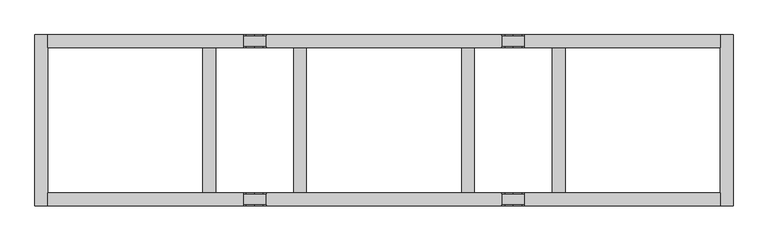
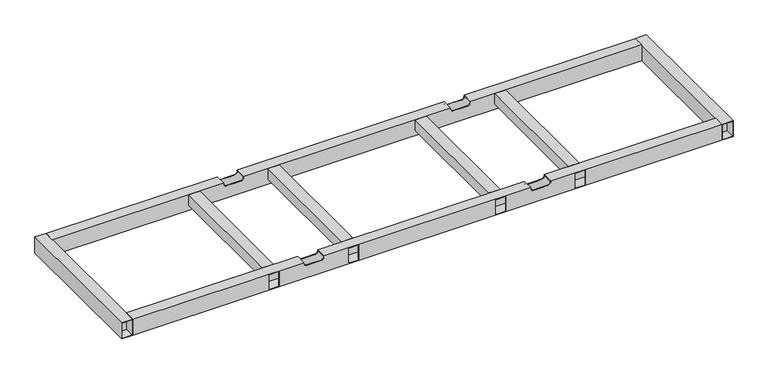
"""IFC4 building model written with IfcOpenShell, lengths in millimetres: furniture geometry."""

from ifc_helpers import new_model, si_unit, frame, origin, place, context, project, spatial, polyline, circle_curve, outline, extrude, source, transform, mapped, element, save
from ifc_brep_helpers import plane_surface, revolved_surface, advanced_brep


def furniture_8cdf405d(model_context):
    return source(origin(), model_context, "Body", "SolidModel", [
        advanced_brep(
        [(-407.9906244, -230.0000056, 346.6346058), (-407.9906244, -232.0000018, 346.6346058), (-381.9939756, -232.0000018, 346.6346058), (-381.9939756, -230.0000056, 346.6346058), (-407.9906244, -268.0000023, 346.6346058), (-407.9906244, -270.0000061, 346.6346058), (-381.9939756, -270.0000061, 346.6346058), (-381.9939756, -268.0000023, 346.6346058), (-371.9939756, -232.0000018, 356.6346058), (-371.9939756, -230.0000056, 356.6346058), (-371.9939756, -270.0000061, 356.6346058), (-371.9939756, -268.0000023, 356.6346058), (-371.9939756, -232.0000018, 357.9224338), (-371.9939756, -268.0000023, 357.9224338), (-371.9939756, -270.0000061, 359.922434), (-371.9939756, -230.0000056, 359.922434), (-443.9872732, -232.0000018, 356.6346058), (-443.9872732, -230.0000056, 356.6346058), (-443.9872732, -230.0000056, 359.922434), (-443.9872732, -270.0000061, 359.922434), (-443.9872732, -270.0000061, 356.6346058), (-443.9872732, -268.0000023, 356.6346058), (-443.9872732, -268.0000023, 357.9224338), (-443.9872732, -232.0000018, 357.9224338), (-433.9872732, -230.0000056, 346.6346058), (-433.9872732, -232.0000018, 346.6346058), (-433.9872732, -268.0000023, 346.6346058), (-433.9872732, -270.0000061, 346.6346058), (1060.9822296, -230.0000056, 359.922434), (1060.9822296, -270.0000061, 359.922434), (1060.9822296, -270.0000061, 299.9223263), (1060.9822296, -230.0000056, 299.9223263), (1060.9822296, -268.0000023, 301.9086098), (1060.9822296, -268.0000023, 357.9224338), (1060.9822296, -232.0000018, 357.9224338), (1060.9822296, -232.0000018, 301.9086098), (-1060.9822296, -230.0000056, 359.922434), (-1060.9822296, -230.0000056, 299.9223263), (-1060.9822296, -270.0000061, 299.9223263), (-1060.9822296, -270.0000061, 359.922434), (-1060.9822296, -268.0000023, 301.9086098), (-1060.9822296, -232.0000018, 301.9086098), (-1060.9822296, -232.0000018, 357.9224338), (-1060.9822296, -268.0000023, 357.9224338), (371.9939756, -230.0000056, 359.922434), (371.9939756, -230.0000056, 356.6346058), (381.9939756, -230.0000056, 346.6346058), (407.9906244, -230.0000056, 346.6346058), (433.9872732, -230.0000056, 346.6346058), (443.9872732, -230.0000056, 356.6346058), (443.9872732, -230.0000056, 359.922434), (443.9872732, -270.0000061, 359.922434), (443.9872732, -270.0000061, 356.6346058), (433.9872732, -270.0000061, 346.6346058), (407.9906244, -270.0000061, 346.6346058), (381.9939756, -270.0000061, 346.6346058), (371.9939756, -270.0000061, 356.6346058), (371.9939756, -270.0000061, 359.922434), (-568.96075, -270.0000061, 357.9224338), (-532.9720684, -270.0000061, 357.9224338), (-532.9720684, -270.0000061, 301.9086098), (-568.96075, -270.0000061, 301.9086098), (-283.0091805, -270.0000061, 357.9224338), (-247.0204988, -270.0000061, 357.9224338), (-247.0204988, -270.0000061, 301.9086098), (-283.0091805, -270.0000061, 301.9086098), (247.0204988, -270.0000061, 357.9224338), (283.0091805, -270.0000061, 357.9224338), (283.0091805, -270.0000061, 301.9086098), (247.0204988, -270.0000061, 301.9086098), (532.9720684, -270.0000061, 357.9224338), (568.96075, -270.0000061, 357.9224338), (568.96075, -270.0000061, 301.9086098), (532.9720684, -270.0000061, 301.9086098), (-568.96075, -268.0000023, 301.9086098), (-532.9720684, -268.0000023, 301.9086098), (-283.0091805, -268.0000023, 301.9086098), (-247.0204988, -268.0000023, 301.9086098), (247.0204988, -268.0000023, 301.9086098), (283.0091805, -268.0000023, 301.9086098), (532.9720684, -268.0000023, 301.9086098), (568.96075, -268.0000023, 301.9086098), (443.9872732, -232.0000018, 357.9224338), (443.9872732, -232.0000018, 356.6346058), (433.9872732, -232.0000018, 346.6346058), (407.9906244, -232.0000018, 346.6346058), (381.9939756, -232.0000018, 346.6346058), (371.9939756, -232.0000018, 356.6346058), (371.9939756, -232.0000018, 357.9224338), (568.96075, -268.0000023, 357.9224338), (532.9720684, -268.0000023, 357.9224338), (443.9872732, -268.0000023, 357.9224338), (-532.9720684, -268.0000023, 357.9224338), (-568.96075, -268.0000023, 357.9224338), (371.9939756, -268.0000023, 357.9224338), (283.0091805, -268.0000023, 357.9224338), (247.0204988, -268.0000023, 357.9224338), (-247.0204988, -268.0000023, 357.9224338), (-283.0091805, -268.0000023, 357.9224338), (407.9906244, -268.0000023, 346.6346058), (433.9872732, -268.0000023, 346.6346058), (443.9872732, -268.0000023, 356.6346058), (371.9939756, -268.0000023, 356.6346058), (381.9939756, -268.0000023, 346.6346058)],
        [
            (0, 1),
            (1, 2),
            (2, 3),
            (3, 0),
            (4, 5),
            (5, 6),
            (6, 7),
            (7, 4),
            (2, 8, circle_curve(frame((-381.9939756, -232.0000018, 356.6346058), z_axis=(0.0, -1.0, 0.0), x_axis=(-1.0, 0.0, 0.0)), 10.0)),
            (8, 9),
            (9, 3, circle_curve(frame((-381.9939756, -230.0000056, 356.6346058), z_axis=(0.0, 1.0, 0.0), x_axis=(-1.0, 0.0, 0.0)), 10.0)),
            (6, 10, circle_curve(frame((-381.9939756, -270.0000061, 356.6346058), z_axis=(0.0, -1.0, 0.0), x_axis=(-1.0, 0.0, 0.0)), 10.0)),
            (10, 11),
            (11, 7, circle_curve(frame((-381.9939756, -268.0000023, 356.6346058), z_axis=(0.0, 1.0, 0.0), x_axis=(-1.0, 0.0, 0.0)), 10.0)),
            (8, 12),
            (12, 13),
            (13, 11),
            (10, 14),
            (14, 15),
            (15, 9),
            (16, 17),
            (17, 18),
            (18, 19),
            (19, 20),
            (20, 21),
            (21, 22),
            (22, 23),
            (23, 16),
            (0, 24),
            (24, 25),
            (25, 1),
            (4, 26),
            (26, 27),
            (27, 5),
            (24, 17, circle_curve(frame((-433.9872732, -230.0000056, 356.6346058), z_axis=(0.0, 1.0, 0.0), x_axis=(1.0, 0.0, 0.0)), 10.0)),
            (16, 25, circle_curve(frame((-433.9872732, -232.0000018, 356.6346058), z_axis=(0.0, -1.0, 0.0), x_axis=(1.0, 0.0, 0.0)), 10.0)),
            (26, 21, circle_curve(frame((-433.9872732, -268.0000023, 356.6346058), z_axis=(0.0, 1.0, 0.0), x_axis=(1.0, 0.0, 0.0)), 10.0)),
            (20, 27, circle_curve(frame((-433.9872732, -270.0000061, 356.6346058), z_axis=(0.0, -1.0, 0.0), x_axis=(1.0, 0.0, 0.0)), 10.0)),
            (28, 29),
            (29, 30),
            (30, 31),
            (31, 28),
            (32, 33),
            (33, 34),
            (34, 35),
            (35, 32),
            (36, 37),
            (37, 38),
            (38, 39),
            (39, 36),
            (40, 41),
            (41, 42),
            (42, 43),
            (43, 40),
            (31, 37),
            (36, 18),
            (15, 44),
            (44, 45),
            (45, 46, circle_curve(frame((381.9939756, -230.0000056, 356.6346058), z_axis=(0.0, -1.0, 0.0), x_axis=(1.0, 0.0, 0.0)), 10.0)),
            (46, 47),
            (47, 48),
            (48, 49, circle_curve(frame((433.9872732, -230.0000056, 356.6346058), z_axis=(0.0, -1.0, 0.0), x_axis=(-1.0, 0.0, 0.0)), 10.0)),
            (49, 50),
            (50, 28),
            (30, 38),
            (29, 51),
            (51, 52),
            (52, 53, circle_curve(frame((433.9872732, -270.0000061, 356.6346058), z_axis=(0.0, 1.0, 0.0), x_axis=(-1.0, 0.0, 0.0)), 10.0)),
            (53, 54),
            (54, 55),
            (55, 56, circle_curve(frame((381.9939756, -270.0000061, 356.6346058), z_axis=(0.0, 1.0, 0.0), x_axis=(1.0, 0.0, 0.0)), 10.0)),
            (56, 57),
            (57, 14),
            (19, 39),
            (58, 59),
            (59, 60),
            (60, 61),
            (61, 58),
            (62, 63),
            (63, 64),
            (64, 65),
            (65, 62),
            (66, 67),
            (67, 68),
            (68, 69),
            (69, 66),
            (70, 71),
            (71, 72),
            (72, 73),
            (73, 70),
            (50, 51),
            (57, 44),
            (35, 41),
            (40, 74),
            (74, 61),
            (60, 75),
            (75, 76),
            (76, 65),
            (64, 77),
            (77, 78),
            (78, 69),
            (68, 79),
            (79, 80),
            (80, 73),
            (72, 81),
            (81, 32),
            (34, 82),
            (82, 83),
            (83, 84, circle_curve(frame((433.9872732, -232.0000018, 356.6346058), z_axis=(0.0, 1.0, 0.0), x_axis=(-1.0, 0.0, 0.0)), 10.0)),
            (84, 85),
            (85, 86),
            (86, 87, circle_curve(frame((381.9939756, -232.0000018, 356.6346058), z_axis=(0.0, 1.0, 0.0), x_axis=(1.0, 0.0, 0.0)), 10.0)),
            (87, 88),
            (88, 12),
            (23, 42),
            (33, 89),
            (89, 71),
            (70, 90),
            (90, 91),
            (91, 82),
            (22, 92),
            (92, 59),
            (58, 93),
            (93, 43),
            (88, 94),
            (94, 95),
            (95, 67),
            (66, 96),
            (96, 97),
            (97, 63),
            (62, 98),
            (98, 13),
            (81, 89),
            (93, 74),
            (98, 76),
            (75, 92),
            (77, 97),
            (96, 78),
            (99, 100),
            (100, 101, circle_curve(frame((433.9872732, -268.0000023, 356.6346058), z_axis=(0.0, -1.0, 0.0), x_axis=(-1.0, 0.0, 0.0)), 10.0)),
            (101, 91),
            (90, 80),
            (79, 95),
            (94, 102),
            (102, 103, circle_curve(frame((381.9939756, -268.0000023, 356.6346058), z_axis=(0.0, -1.0, 0.0), x_axis=(1.0, 0.0, 0.0)), 10.0)),
            (103, 99),
            (47, 85),
            (84, 48),
            (99, 54),
            (53, 100),
            (83, 49),
            (52, 101),
            (87, 45),
            (56, 102),
            (46, 86),
            (103, 55),
        ],
        [
            plane_surface(frame((-407.9906244, -287.5262628, 346.6346058), z_axis=(0.0, 0.0, 1.0), x_axis=(0.0, 1.0, 0.0))),
            revolved_surface(polyline([(-391.9939756, -232.0000018, 356.6346058), (-391.9939756, -230.00000560000007, 356.6346058)]), (-381.9939756, 314.3107458, 356.6346058), (0.0, -1.0, 0.0)),
            revolved_surface(polyline([(-391.9939756, -270.0000061, 356.6346058), (-391.9939756, -268.00000229999995, 356.6346058)]), (-381.9939756, 314.3107458, 356.6346058), (0.0, -1.0, 0.0)),
            plane_surface(frame((-371.9939756, -287.5262628, 356.6346058), z_axis=(-1.0, 0.0, 0.0), x_axis=(0.0, 1.0, 0.0))),
            plane_surface(frame((-443.9872732, -287.5262628, 378.869628), z_axis=(1.0, 0.0, 0.0), x_axis=(0.0, 1.0, 0.0))),
            plane_surface(frame((-433.9872732, -287.5262628, 346.6346058), z_axis=(0.0, 0.0, 1.0), x_axis=(0.0, 1.0, 0.0))),
            revolved_surface(polyline([(-423.9872732, -232.0000018, 356.6346058), (-423.9872732, -230.00000560000007, 356.6346058)]), (-433.9872732, 314.3107458, 356.6346058), (0.0, -1.0, 0.0)),
            revolved_surface(polyline([(-423.9872732, -270.0000061, 356.6346058), (-423.9872732, -268.00000229999995, 356.6346058)]), (-433.9872732, 314.3107458, 356.6346058), (0.0, -1.0, 0.0)),
            plane_surface(frame((1060.9822296, -270.0000061, 359.922434), z_axis=(1.0, 0.0, 0.0), x_axis=(0.0, -1.0, 0.0))),
            plane_surface(frame((-1060.9822296, -270.0000061, 359.922434), z_axis=(-1.0, 0.0, 0.0), x_axis=(0.0, 1.0, 0.0))),
            plane_surface(frame((1060.9822296, -230.0000056, 299.9223263), z_axis=(0.0, 1.0, 0.0), x_axis=(-1.0, 0.0, 0.0))),
            plane_surface(frame((1060.9822296, -270.0000061, 299.9223263), z_axis=(0.0, 0.0, -1.0), x_axis=(-1.0, 0.0, 0.0))),
            plane_surface(frame((1060.9822296, -270.0000061, 359.922434), z_axis=(0.0, -1.0, 0.0), x_axis=(-1.0, 0.0, 0.0))),
            plane_surface(frame((1060.9822296, -230.0000056, 359.922434), z_axis=(0.0, 0.0, 1.0), x_axis=(-1.0, 0.0, 0.0))),
            plane_surface(frame((1060.9822296, -232.0000018, 301.9086098), z_axis=(0.0, 0.0, 1.0), x_axis=(-1.0, 0.0, 0.0))),
            plane_surface(frame((1060.9822296, -232.0000018, 357.9224338), z_axis=(0.0, -1.0, 0.0), x_axis=(-1.0, 0.0, 0.0))),
            plane_surface(frame((1060.9822296, -268.0000023, 357.9224338), z_axis=(0.0, 0.0, -1.0), x_axis=(-1.0, 0.0, 0.0))),
            plane_surface(frame((1060.9822296, -268.0000023, 301.9086098), z_axis=(0.0, 1.0, 0.0), x_axis=(-1.0, 0.0, 0.0))),
            plane_surface(frame((-568.96075, -282.4008656, 357.9224338), z_axis=(1.0, 0.0, 0.0), x_axis=(0.0, 1.0, 0.0))),
            plane_surface(frame((-532.9720684, -282.4008656, 301.9086098), z_axis=(-1.0, 0.0, 0.0), x_axis=(0.0, 1.0, 0.0))),
            plane_surface(frame((-247.0204988, -282.4008656, 301.9086098), z_axis=(-1.0, 0.0, 0.0), x_axis=(0.0, 1.0, 0.0))),
            plane_surface(frame((-283.0091805, -282.4008656, 357.9224338), z_axis=(1.0, 0.0, 0.0), x_axis=(0.0, 1.0, 0.0))),
            plane_surface(frame((407.9906244, -287.5262628, 346.6346058), z_axis=(0.0, 0.0, 1.0), x_axis=(0.0, 1.0, 0.0))),
            revolved_surface(polyline([(423.9872732, -232.0000018, 356.6346058), (423.9872732, -230.00000560000007, 356.6346058)]), (433.9872732, 314.3107458, 356.6346058), (0.0, -1.0, 0.0)),
            revolved_surface(polyline([(423.9872732, -270.0000061, 356.6346058), (423.9872732, -268.00000229999995, 356.6346058)]), (433.9872732, 314.3107458, 356.6346058), (0.0, -1.0, 0.0)),
            plane_surface(frame((443.9872732, -287.5262628, 356.6346058), z_axis=(-1.0, 0.0, 0.0), x_axis=(0.0, 1.0, 0.0))),
            plane_surface(frame((371.9939756, -287.5262628, 378.869628), z_axis=(1.0, 0.0, 0.0), x_axis=(0.0, 1.0, 0.0))),
            plane_surface(frame((381.9939756, -287.5262628, 346.6346058), z_axis=(0.0, 0.0, 1.0), x_axis=(0.0, 1.0, 0.0))),
            revolved_surface(polyline([(391.9939756, -232.0000018, 356.6346058), (391.9939756, -230.00000560000007, 356.6346058)]), (381.9939756, 314.3107458, 356.6346058), (0.0, -1.0, 0.0)),
            revolved_surface(polyline([(391.9939756, -270.0000061, 356.6346058), (391.9939756, -268.00000229999995, 356.6346058)]), (381.9939756, 314.3107458, 356.6346058), (0.0, -1.0, 0.0)),
            plane_surface(frame((247.0204988, -282.4008656, 357.9224338), z_axis=(1.0, 0.0, 0.0), x_axis=(0.0, 1.0, 0.0))),
            plane_surface(frame((283.0091805, -282.4008656, 301.9086098), z_axis=(-1.0, 0.0, 0.0), x_axis=(0.0, 1.0, 0.0))),
            plane_surface(frame((568.96075, -282.4008656, 301.9086098), z_axis=(-1.0, 0.0, 0.0), x_axis=(0.0, 1.0, 0.0))),
            plane_surface(frame((532.9720684, -282.4008656, 357.9224338), z_axis=(1.0, 0.0, 0.0), x_axis=(0.0, 1.0, 0.0))),
        ],
        [
            (0, [[1, 2, 3, 4]]),
            (0, [[5, 6, 7, 8]]),
            (1, [[-3, 9, 10, 11]]),
            (2, [[-7, 12, 13, 14]]),
            (3, [[-10, 15, 16, 17, -13, 18, 19, 20]]),
            (4, [[21, 22, 23, 24, 25, 26, 27, 28]]),
            (5, [[-1, 29, 30, 31]]),
            (5, [[-5, 32, 33, 34]]),
            (6, [[-30, 35, -21, 36]]),
            (7, [[-33, 37, -25, 38]]),
            (8, [[39, 40, 41, 42], [43, 44, 45, 46]]),
            (9, [[47, 48, 49, 50], [51, 52, 53, 54]]),
            (10, [[-42, 55, -47, 56, -22, -35, -29, -4, -11, -20, 57, 58, 59, 60, 61, 62, 63, 64]]),
            (11, [[-41, 65, -48, -55]]),
            (12, [[-40, 66, 67, 68, 69, 70, 71, 72, 73, -18, -12, -6, -34, -38, -24, 74, -49, -65], [75, 76, 77, 78], [79, 80, 81, 82], [83, 84, 85, 86], [87, 88, 89, 90]]),
            (13, [[-39, -64, 91, -66]]),
            (13, [[-50, -74, -23, -56]]),
            (13, [[-19, -73, 92, -57]]),
            (14, [[-46, 93, -51, 94, 95, -77, 96, 97, 98, -81, 99, 100, 101, -85, 102, 103, 104, -89, 105, 106]]),
            (15, [[-45, 107, 108, 109, 110, 111, 112, 113, 114, -15, -9, -2, -31, -36, -28, 115, -52, -93]]),
            (16, [[-44, 116, 117, -87, 118, 119, 120, -107]]),
            (16, [[-53, -115, -27, 121, 122, -75, 123, 124]]),
            (16, [[-16, -114, 125, 126, 127, -83, 128, 129, 130, -79, 131, 132]]),
            (17, [[-43, -106, 133, -116]]),
            (17, [[-54, -124, 134, -94]]),
            (17, [[-8, -14, -17, -132, 135, -97, 136, -121, -26, -37, -32]]),
            (17, [[137, -129, 138, -100]]),
            (17, [[139, 140, 141, -119, 142, -103, 143, -126, 144, 145, 146]]),
            (18, [[-123, -78, -95, -134]]),
            (19, [[-122, -136, -96, -76]]),
            (20, [[-130, -137, -99, -80]]),
            (21, [[-98, -135, -131, -82]]),
            (22, [[147, -110, 148, -61]]),
            (22, [[149, -69, 150, -139]]),
            (23, [[-148, -109, 151, -62]]),
            (24, [[-150, -68, 152, -140]]),
            (25, [[-151, -108, -120, -141, -152, -67, -91, -63]]),
            (26, [[153, -58, -92, -72, 154, -144, -125, -113]]),
            (27, [[-147, -60, 155, -111]]),
            (27, [[-149, -146, 156, -70]]),
            (28, [[-155, -59, -153, -112]]),
            (29, [[-156, -145, -154, -71]]),
            (30, [[-128, -86, -101, -138]]),
            (31, [[-127, -143, -102, -84]]),
            (32, [[-117, -133, -105, -88]]),
            (33, [[-104, -142, -118, -90]]),
        ],
    ),
        advanced_brep(
        [(1060.9822296, 230.0000056, 359.922434), (1060.9822296, 230.0000056, 299.9223263), (1060.9822296, 270.0000061, 299.9223263), (1060.9822296, 270.0000061, 359.922434), (1060.9822296, 268.0000023, 301.9086098), (1060.9822296, 232.0000018, 301.9086098), (1060.9822296, 232.0000018, 357.9224338), (1060.9822296, 268.0000023, 357.9224338), (-1060.9822296, 230.0000056, 359.922434), (-1060.9822296, 270.0000061, 359.922434), (-1060.9822296, 270.0000061, 299.9223263), (-1060.9822296, 230.0000056, 299.9223263), (-1060.9822296, 268.0000023, 301.9086098), (-1060.9822296, 268.0000023, 357.9224338), (-1060.9822296, 232.0000018, 357.9224338), (-1060.9822296, 232.0000018, 301.9086098), (443.9872732, 230.0000056, 359.922434), (443.9872732, 230.0000056, 356.6346058), (433.9872732, 230.0000056, 346.6346058), (407.9906244, 230.0000056, 346.6346058), (381.9939756, 230.0000056, 346.6346058), (371.9939756, 230.0000056, 356.6346058), (371.9939756, 230.0000056, 359.922434), (-371.9939756, 230.0000056, 359.922434), (-371.9939756, 230.0000056, 356.6346058), (-381.9939756, 230.0000056, 346.6346058), (-407.9906244, 230.0000056, 346.6346058), (-433.9872732, 230.0000056, 346.6346058), (-443.9872732, 230.0000056, 356.6346058), (-443.9872732, 230.0000056, 359.922434), (-443.9872732, 270.0000061, 359.922434), (-443.9872732, 270.0000061, 356.6346058), (-433.9872732, 270.0000061, 346.6346058), (-407.9906244, 270.0000061, 346.6346058), (-381.9939756, 270.0000061, 346.6346058), (-371.9939756, 270.0000061, 356.6346058), (-371.9939756, 270.0000061, 359.922434), (371.9939756, 270.0000061, 359.922434), (371.9939756, 270.0000061, 356.6346058), (381.9939756, 270.0000061, 346.6346058), (407.9906244, 270.0000061, 346.6346058), (433.9872732, 270.0000061, 346.6346058), (443.9872732, 270.0000061, 356.6346058), (443.9872732, 270.0000061, 359.922434), (-247.0204988, 270.0000061, 357.9224338), (-283.0091805, 270.0000061, 357.9224338), (-283.0091805, 270.0000061, 301.9086098), (-247.0204988, 270.0000061, 301.9086098), (-532.9720684, 270.0000061, 357.9224338), (-568.96075, 270.0000061, 357.9224338), (-568.96075, 270.0000061, 301.9086098), (-532.9720684, 270.0000061, 301.9086098), (283.0091805, 270.0000061, 357.9224338), (247.0204988, 270.0000061, 357.9224338), (247.0204988, 270.0000061, 301.9086098), (283.0091805, 270.0000061, 301.9086098), (568.96075, 270.0000061, 357.9224338), (532.9720684, 270.0000061, 357.9224338), (532.9720684, 270.0000061, 301.9086098), (568.96075, 270.0000061, 301.9086098), (568.96075, 268.0000023, 301.9086098), (532.9720684, 268.0000023, 301.9086098), (283.0091805, 268.0000023, 301.9086098), (247.0204988, 268.0000023, 301.9086098), (-247.0204988, 268.0000023, 301.9086098), (-283.0091805, 268.0000023, 301.9086098), (-532.9720684, 268.0000023, 301.9086098), (-568.96075, 268.0000023, 301.9086098), (-443.9872732, 232.0000018, 357.9224338), (-443.9872732, 232.0000018, 356.6346058), (-433.9872732, 232.0000018, 346.6346058), (-407.9906244, 232.0000018, 346.6346058), (-381.9939756, 232.0000018, 346.6346058), (-371.9939756, 232.0000018, 356.6346058), (-371.9939756, 232.0000018, 357.9224338), (371.9939756, 232.0000018, 357.9224338), (371.9939756, 232.0000018, 356.6346058), (381.9939756, 232.0000018, 346.6346058), (407.9906244, 232.0000018, 346.6346058), (433.9872732, 232.0000018, 346.6346058), (443.9872732, 232.0000018, 356.6346058), (443.9872732, 232.0000018, 357.9224338), (443.9872732, 268.0000023, 357.9224338), (532.9720684, 268.0000023, 357.9224338), (568.96075, 268.0000023, 357.9224338), (-568.96075, 268.0000023, 357.9224338), (-532.9720684, 268.0000023, 357.9224338), (-443.9872732, 268.0000023, 357.9224338), (-371.9939756, 268.0000023, 357.9224338), (-283.0091805, 268.0000023, 357.9224338), (-247.0204988, 268.0000023, 357.9224338), (247.0204988, 268.0000023, 357.9224338), (283.0091805, 268.0000023, 357.9224338), (371.9939756, 268.0000023, 357.9224338), (-381.9939756, 268.0000023, 346.6346058), (-407.9906244, 268.0000023, 346.6346058), (-433.9872732, 268.0000023, 346.6346058), (-443.9872732, 268.0000023, 356.6346058), (-371.9939756, 268.0000023, 356.6346058), (443.9872732, 268.0000023, 356.6346058), (433.9872732, 268.0000023, 346.6346058), (407.9906244, 268.0000023, 346.6346058), (381.9939756, 268.0000023, 346.6346058), (371.9939756, 268.0000023, 356.6346058)],
        [
            (0, 1),
            (1, 2),
            (2, 3),
            (3, 0),
            (4, 5),
            (5, 6),
            (6, 7),
            (7, 4),
            (8, 9),
            (9, 10),
            (10, 11),
            (11, 8),
            (12, 13),
            (13, 14),
            (14, 15),
            (15, 12),
            (0, 16),
            (16, 17),
            (17, 18, circle_curve(frame((433.9872732, 230.0000056, 356.6346058), z_axis=(0.0, 1.0, 0.0), x_axis=(-1.0, 0.0, 0.0)), 10.0)),
            (18, 19),
            (19, 20),
            (20, 21, circle_curve(frame((381.9939756, 230.0000056, 356.6346058), z_axis=(0.0, 1.0, 0.0), x_axis=(1.0, 0.0, 0.0)), 10.0)),
            (21, 22),
            (22, 23),
            (23, 24),
            (24, 25, circle_curve(frame((-381.9939756, 230.0000056, 356.6346058), z_axis=(0.0, 1.0, 0.0), x_axis=(-1.0, 0.0, 0.0)), 10.0)),
            (25, 26),
            (26, 27),
            (27, 28, circle_curve(frame((-433.9872732, 230.0000056, 356.6346058), z_axis=(0.0, 1.0, 0.0), x_axis=(1.0, 0.0, 0.0)), 10.0)),
            (28, 29),
            (29, 8),
            (11, 1),
            (10, 2),
            (9, 30),
            (30, 31),
            (31, 32, circle_curve(frame((-433.9872732, 270.0000061, 356.6346058), z_axis=(0.0, -1.0, 0.0), x_axis=(1.0, 0.0, 0.0)), 10.0)),
            (32, 33),
            (33, 34),
            (34, 35, circle_curve(frame((-381.9939756, 270.0000061, 356.6346058), z_axis=(0.0, -1.0, 0.0), x_axis=(-1.0, 0.0, 0.0)), 10.0)),
            (35, 36),
            (36, 37),
            (37, 38),
            (38, 39, circle_curve(frame((381.9939756, 270.0000061, 356.6346058), z_axis=(0.0, -1.0, 0.0), x_axis=(1.0, 0.0, 0.0)), 10.0)),
            (39, 40),
            (40, 41),
            (41, 42, circle_curve(frame((433.9872732, 270.0000061, 356.6346058), z_axis=(0.0, -1.0, 0.0), x_axis=(-1.0, 0.0, 0.0)), 10.0)),
            (42, 43),
            (43, 3),
            (44, 45),
            (45, 46),
            (46, 47),
            (47, 44),
            (48, 49),
            (49, 50),
            (50, 51),
            (51, 48),
            (52, 53),
            (53, 54),
            (54, 55),
            (55, 52),
            (56, 57),
            (57, 58),
            (58, 59),
            (59, 56),
            (43, 16),
            (29, 30),
            (36, 23),
            (22, 37),
            (4, 60),
            (60, 59),
            (58, 61),
            (61, 62),
            (62, 55),
            (54, 63),
            (63, 64),
            (64, 47),
            (46, 65),
            (65, 66),
            (66, 51),
            (50, 67),
            (67, 12),
            (15, 5),
            (14, 68),
            (68, 69),
            (69, 70, circle_curve(frame((-433.9872732, 232.0000018, 356.6346058), z_axis=(0.0, -1.0, 0.0), x_axis=(1.0, 0.0, 0.0)), 10.0)),
            (70, 71),
            (71, 72),
            (72, 73, circle_curve(frame((-381.9939756, 232.0000018, 356.6346058), z_axis=(0.0, -1.0, 0.0), x_axis=(-1.0, 0.0, 0.0)), 10.0)),
            (73, 74),
            (74, 75),
            (75, 76),
            (76, 77, circle_curve(frame((381.9939756, 232.0000018, 356.6346058), z_axis=(0.0, -1.0, 0.0), x_axis=(1.0, 0.0, 0.0)), 10.0)),
            (77, 78),
            (78, 79),
            (79, 80, circle_curve(frame((433.9872732, 232.0000018, 356.6346058), z_axis=(0.0, -1.0, 0.0), x_axis=(-1.0, 0.0, 0.0)), 10.0)),
            (80, 81),
            (81, 6),
            (81, 82),
            (82, 83),
            (83, 57),
            (56, 84),
            (84, 7),
            (13, 85),
            (85, 49),
            (48, 86),
            (86, 87),
            (87, 68),
            (74, 88),
            (88, 89),
            (89, 45),
            (44, 90),
            (90, 91),
            (91, 53),
            (52, 92),
            (92, 93),
            (93, 75),
            (84, 60),
            (67, 85),
            (94, 95),
            (95, 96),
            (96, 97, circle_curve(frame((-433.9872732, 268.0000023, 356.6346058), z_axis=(0.0, 1.0, 0.0), x_axis=(1.0, 0.0, 0.0)), 10.0)),
            (97, 87),
            (86, 66),
            (65, 89),
            (88, 98),
            (98, 94, circle_curve(frame((-381.9939756, 268.0000023, 356.6346058), z_axis=(0.0, 1.0, 0.0), x_axis=(-1.0, 0.0, 0.0)), 10.0)),
            (90, 64),
            (63, 91),
            (92, 62),
            (61, 83),
            (82, 99),
            (99, 100, circle_curve(frame((433.9872732, 268.0000023, 356.6346058), z_axis=(0.0, 1.0, 0.0), x_axis=(-1.0, 0.0, 0.0)), 10.0)),
            (100, 101),
            (101, 102),
            (102, 103, circle_curve(frame((381.9939756, 268.0000023, 356.6346058), z_axis=(0.0, 1.0, 0.0), x_axis=(1.0, 0.0, 0.0)), 10.0)),
            (103, 93),
            (71, 26),
            (25, 72),
            (33, 95),
            (94, 34),
            (24, 73),
            (98, 35),
            (28, 69),
            (97, 31),
            (70, 27),
            (32, 96),
            (78, 19),
            (18, 79),
            (40, 101),
            (100, 41),
            (17, 80),
            (99, 42),
            (21, 76),
            (103, 38),
            (77, 20),
            (39, 102),
        ],
        [
            plane_surface(frame((1060.9822296, 230.0000056, 319.6891771), z_axis=(1.0, 0.0, 0.0), x_axis=(0.0, 0.0, -1.0))),
            plane_surface(frame((-1060.9822296, 230.0000056, 319.6891771), z_axis=(-1.0, 0.0, 0.0), x_axis=(0.0, 0.0, 1.0))),
            plane_surface(frame((1060.9822296, 230.0000056, 359.922434), z_axis=(0.0, -1.0, 0.0), x_axis=(-1.0, 0.0, 0.0))),
            plane_surface(frame((1060.9822296, 230.0000056, 299.9223263), z_axis=(0.0, 0.0, -1.0), x_axis=(-1.0, 0.0, 0.0))),
            plane_surface(frame((1060.9822296, 270.0000061, 299.9223263), z_axis=(0.0, 1.0, 0.0), x_axis=(-1.0, 0.0, 0.0))),
            plane_surface(frame((1060.9822296, 270.0000061, 359.922434), z_axis=(0.0, 0.0, 1.0), x_axis=(-1.0, 0.0, 0.0))),
            plane_surface(frame((1060.9822296, 268.0000023, 301.9086098), z_axis=(0.0, 0.0, 1.0), x_axis=(-1.0, 0.0, 0.0))),
            plane_surface(frame((1060.9822296, 232.0000018, 301.9086098), z_axis=(0.0, 1.0, 0.0), x_axis=(-1.0, 0.0, 0.0))),
            plane_surface(frame((1060.9822296, 232.0000018, 357.9224338), z_axis=(0.0, 0.0, -1.0), x_axis=(-1.0, 0.0, 0.0))),
            plane_surface(frame((1060.9822296, 268.0000023, 357.9224338), z_axis=(0.0, -1.0, 0.0), x_axis=(-1.0, 0.0, 0.0))),
            plane_surface(frame((-407.9906244, -287.5262628, 346.6346058), z_axis=(0.0, 0.0, 1.0), x_axis=(0.0, 1.0, 0.0))),
            revolved_surface(polyline([(-391.9939756, 230.0000056, 356.6346058), (-391.9939756, 232.0000018, 356.6346058)]), (-381.9939756, 314.3107458, 356.6346058), (0.0, -1.0, 0.0)),
            revolved_surface(polyline([(-391.9939756, 268.0000023, 356.6346058), (-391.9939756, 270.0000061, 356.6346058)]), (-381.9939756, 314.3107458, 356.6346058), (0.0, -1.0, 0.0)),
            plane_surface(frame((-371.9939756, -287.5262628, 356.6346058), z_axis=(-1.0, 0.0, 0.0), x_axis=(0.0, 1.0, 0.0))),
            plane_surface(frame((-443.9872732, -287.5262628, 378.869628), z_axis=(1.0, 0.0, 0.0), x_axis=(0.0, 1.0, 0.0))),
            plane_surface(frame((-433.9872732, -287.5262628, 346.6346058), z_axis=(0.0, 0.0, 1.0), x_axis=(0.0, 1.0, 0.0))),
            revolved_surface(polyline([(-423.9872732, 230.0000056, 356.6346058), (-423.9872732, 232.0000018, 356.6346058)]), (-433.9872732, 314.3107458, 356.6346058), (0.0, -1.0, 0.0)),
            revolved_surface(polyline([(-423.9872732, 268.0000023, 356.6346058), (-423.9872732, 270.0000061, 356.6346058)]), (-433.9872732, 314.3107458, 356.6346058), (0.0, -1.0, 0.0)),
            plane_surface(frame((-247.0204988, 282.4008656, 357.9224338), z_axis=(-1.0, 0.0, 0.0), x_axis=(0.0, -1.0, 0.0))),
            plane_surface(frame((-283.0091805, 282.4008656, 301.9086098), z_axis=(1.0, 0.0, 0.0), x_axis=(0.0, -1.0, 0.0))),
            plane_surface(frame((-568.96075, 282.4008656, 301.9086098), z_axis=(1.0, 0.0, 0.0), x_axis=(0.0, -1.0, 0.0))),
            plane_surface(frame((-532.9720684, 282.4008656, 357.9224338), z_axis=(-1.0, 0.0, 0.0), x_axis=(0.0, -1.0, 0.0))),
            plane_surface(frame((247.0204988, 282.4008656, 301.9086098), z_axis=(1.0, 0.0, 0.0), x_axis=(0.0, -1.0, 0.0))),
            plane_surface(frame((283.0091805, 282.4008656, 357.9224338), z_axis=(-1.0, 0.0, 0.0), x_axis=(0.0, -1.0, 0.0))),
            plane_surface(frame((407.9906244, -287.5262628, 346.6346058), z_axis=(0.0, 0.0, 1.0), x_axis=(0.0, 1.0, 0.0))),
            revolved_surface(polyline([(423.9872732, 230.0000056, 356.6346058), (423.9872732, 232.0000018, 356.6346058)]), (433.9872732, 314.3107458, 356.6346058), (0.0, -1.0, 0.0)),
            revolved_surface(polyline([(423.9872732, 268.0000023, 356.6346058), (423.9872732, 270.0000061, 356.6346058)]), (433.9872732, 314.3107458, 356.6346058), (0.0, -1.0, 0.0)),
            plane_surface(frame((443.9872732, -287.5262628, 356.6346058), z_axis=(-1.0, 0.0, 0.0), x_axis=(0.0, 1.0, 0.0))),
            plane_surface(frame((371.9939756, -287.5262628, 378.869628), z_axis=(1.0, 0.0, 0.0), x_axis=(0.0, 1.0, 0.0))),
            plane_surface(frame((381.9939756, -287.5262628, 346.6346058), z_axis=(0.0, 0.0, 1.0), x_axis=(0.0, 1.0, 0.0))),
            revolved_surface(polyline([(391.9939756, 230.0000056, 356.6346058), (391.9939756, 232.0000018, 356.6346058)]), (381.9939756, 314.3107458, 356.6346058), (0.0, -1.0, 0.0)),
            revolved_surface(polyline([(391.9939756, 268.0000023, 356.6346058), (391.9939756, 270.0000061, 356.6346058)]), (381.9939756, 314.3107458, 356.6346058), (0.0, -1.0, 0.0)),
            plane_surface(frame((568.96075, 282.4008656, 357.9224338), z_axis=(-1.0, 0.0, 0.0), x_axis=(0.0, -1.0, 0.0))),
            plane_surface(frame((532.9720684, 282.4008656, 301.9086098), z_axis=(1.0, 0.0, 0.0), x_axis=(0.0, -1.0, 0.0))),
        ],
        [
            (0, [[1, 2, 3, 4], [5, 6, 7, 8]]),
            (1, [[9, 10, 11, 12], [13, 14, 15, 16]]),
            (2, [[-1, 17, 18, 19, 20, 21, 22, 23, 24, 25, 26, 27, 28, 29, 30, 31, -12, 32]]),
            (3, [[-2, -32, -11, 33]]),
            (4, [[-3, -33, -10, 34, 35, 36, 37, 38, 39, 40, 41, 42, 43, 44, 45, 46, 47, 48], [49, 50, 51, 52], [53, 54, 55, 56], [57, 58, 59, 60], [61, 62, 63, 64]]),
            (5, [[-4, -48, 65, -17]]),
            (5, [[-9, -31, 66, -34]]),
            (5, [[67, -24, 68, -41]]),
            (6, [[-5, 69, 70, -63, 71, 72, 73, -59, 74, 75, 76, -51, 77, 78, 79, -55, 80, 81, -16, 82]]),
            (7, [[-6, -82, -15, 83, 84, 85, 86, 87, 88, 89, 90, 91, 92, 93, 94, 95, 96, 97]]),
            (8, [[-7, -97, 98, 99, 100, -61, 101, 102]]),
            (8, [[-14, 103, 104, -53, 105, 106, 107, -83]]),
            (8, [[108, 109, 110, -49, 111, 112, 113, -57, 114, 115, 116, -90]]),
            (9, [[-8, -102, 117, -69]]),
            (9, [[-13, -81, 118, -103]]),
            (9, [[119, 120, 121, 122, -106, 123, -78, 124, -109, 125, 126]]),
            (9, [[127, -75, 128, -112]]),
            (9, [[129, -72, 130, -99, 131, 132, 133, 134, 135, 136, -115]]),
            (10, [[137, -27, 138, -87]]),
            (10, [[139, -119, 140, -38]]),
            (11, [[-138, -26, 141, -88]]),
            (12, [[-140, -126, 142, -39]]),
            (13, [[-141, -25, -67, -40, -142, -125, -108, -89]]),
            (14, [[143, -84, -107, -122, 144, -35, -66, -30]]),
            (15, [[-137, -86, 145, -28]]),
            (15, [[-139, -37, 146, -120]]),
            (16, [[-145, -85, -143, -29]]),
            (17, [[-146, -36, -144, -121]]),
            (18, [[-111, -52, -76, -127]]),
            (19, [[-110, -124, -77, -50]]),
            (20, [[-104, -118, -80, -54]]),
            (21, [[-79, -123, -105, -56]]),
            (22, [[-113, -128, -74, -58]]),
            (23, [[-73, -129, -114, -60]]),
            (24, [[147, -20, 148, -94]]),
            (24, [[149, -133, 150, -45]]),
            (25, [[-148, -19, 151, -95]]),
            (26, [[-150, -132, 152, -46]]),
            (27, [[-151, -18, -65, -47, -152, -131, -98, -96]]),
            (28, [[153, -91, -116, -136, 154, -42, -68, -23]]),
            (29, [[-147, -93, 155, -21]]),
            (29, [[-149, -44, 156, -134]]),
            (30, [[-155, -92, -153, -22]]),
            (31, [[-156, -43, -154, -135]]),
            (32, [[-101, -64, -70, -117]]),
            (33, [[-100, -130, -71, -62]]),
        ],
    ),
        extrude(outline(polyline([(1062.967846, -236.0000008), (1062.967846, -232.0000015), (1098.9565276, -232.0000015), (1098.9565276, -236.0000008), (1062.967846, -236.0000008)])), frame((0.0, 0.0, 301.9086098), z_axis=(0.0, 0.0, 1.0), x_axis=(1.0, 0.0, 0.0)), (0.0, 0.0, 1.0), 56.013824),
        extrude(outline(polyline([(1062.967846, 236.0000008), (1098.9565276, 236.0000008), (1098.9565276, 232.0000015), (1062.967846, 232.0000015), (1062.967846, 236.0000008)])), frame((0.0, 0.0, 301.9086098), z_axis=(0.0, 0.0, 1.0), x_axis=(1.0, 0.0, 0.0)), (0.0, 0.0, 1.0), 56.013824),
        extrude(outline(polyline([(359.922434, 1060.9822296), (299.9223263, 1060.9822296), (299.9223263, 1100.9760457), (359.922434, 1100.9760457), (359.922434, 1060.9822296)]), holes=[polyline([(301.9086098, 1098.9565276), (301.9086098, 1062.967846), (357.9224338, 1062.967846), (357.9224338, 1098.9565276), (301.9086098, 1098.9565276)])]), frame((0.0, -269.9999939, 0.0), z_axis=(0.0, 1.0, 0.0), x_axis=(0.0, 0.0, 1.0)), (0.0, 0.0, 1.0), 540.0),
        extrude(outline(polyline([(359.922434, 530.986452), (319.6891771, 530.986452), (319.6891771, 570.9802681), (359.922434, 570.9802681), (359.922434, 530.986452)]), holes=[polyline([(321.6754606, 568.96075), (321.6754606, 532.9720684), (357.9224338, 532.9720684), (357.9224338, 568.96075), (321.6754606, 568.96075)])]), frame((0.0, -229.9999925, 0.0), z_axis=(0.0, 1.0, 0.0), x_axis=(0.0, 0.0, 1.0)), (0.0, 0.0, 1.0), 459.9999981),
        extrude(outline(polyline([(359.922434, 284.9947968), (359.922434, 245.0009808), (319.6891771, 245.0009808), (319.6891771, 284.9947968), (359.922434, 284.9947968)]), holes=[polyline([(321.6754606, 247.0204988), (357.9224338, 247.0204988), (357.9224338, 283.0091805), (321.6754606, 283.0091805), (321.6754606, 247.0204988)])]), frame((0.0, -229.9999925, 0.0), z_axis=(0.0, 1.0, 0.0), x_axis=(0.0, 0.0, 1.0)), (0.0, 0.0, 1.0), 459.9999981),
        extrude(outline(polyline([(-1062.967846, -236.0000008), (-1098.9565276, -236.0000008), (-1098.9565276, -232.0000015), (-1062.967846, -232.0000015), (-1062.967846, -236.0000008)])), frame((0.0, 0.0, 301.9086098), z_axis=(0.0, 0.0, 1.0), x_axis=(1.0, 0.0, 0.0)), (0.0, 0.0, 1.0), 56.013824),
        extrude(outline(polyline([(-1062.967846, 236.0000008), (-1062.967846, 232.0000015), (-1098.9565276, 232.0000015), (-1098.9565276, 236.0000008), (-1062.967846, 236.0000008)])), frame((0.0, 0.0, 301.9086098), z_axis=(0.0, 0.0, 1.0), x_axis=(1.0, 0.0, 0.0)), (0.0, 0.0, 1.0), 56.013824),
        extrude(outline(polyline([(359.922434, -284.9947968), (319.6891771, -284.9947968), (319.6891771, -245.0009808), (359.922434, -245.0009808), (359.922434, -284.9947968)]), holes=[polyline([(321.6754606, -247.0204988), (321.6754606, -283.0091805), (357.9224338, -283.0091805), (357.9224338, -247.0204988), (321.6754606, -247.0204988)])]), frame((0.0, -229.9999925, 0.0), z_axis=(0.0, 1.0, 0.0), x_axis=(0.0, 0.0, 1.0)), (0.0, 0.0, 1.0), 459.9999981),
        extrude(outline(polyline([(359.922434, -530.986452), (359.922434, -570.9802681), (319.6891771, -570.9802681), (319.6891771, -530.986452), (359.922434, -530.986452)]), holes=[polyline([(321.6754606, -568.96075), (357.9224338, -568.96075), (357.9224338, -532.9720684), (321.6754606, -532.9720684), (321.6754606, -568.96075)])]), frame((0.0, -229.9999925, 0.0), z_axis=(0.0, 1.0, 0.0), x_axis=(0.0, 0.0, 1.0)), (0.0, 0.0, 1.0), 459.9999981),
        extrude(outline(polyline([(359.922434, -1060.9822296), (359.922434, -1100.9760457), (299.9223263, -1100.9760457), (299.9223263, -1060.9822296), (359.922434, -1060.9822296)]), holes=[polyline([(301.9086098, -1098.9565276), (357.9224338, -1098.9565276), (357.9224338, -1062.967846), (301.9086098, -1062.967846), (301.9086098, -1098.9565276)])]), frame((0.0, -269.9999939, 0.0), z_axis=(0.0, 1.0, 0.0), x_axis=(0.0, 0.0, 1.0)), (0.0, 0.0, 1.0), 540.0),
    ])


if __name__ == "__main__":
    model = new_model("IFC4")
    model_context = context("Model", 3, world=origin())
    ifc_project = project(units=[si_unit("LENGTHUNIT", "METRE", prefix="MILLI")], contexts=[model_context])
    site = spatial("IfcSite", under=ifc_project)
    building = spatial("IfcBuilding", under=site)
    placement = place(None, origin())
    furniture_shape = furniture_8cdf405d(model_context)
    element("IfcFurniture", 1, at=placement, inside=building, context=model_context, shape_type="MappedRepresentation", body=[
        mapped(furniture_shape, transform((0.0, 0.0, 0.0), x_axis=(1.0, 0.0, 0.0), y_axis=(0.0, 1.0, 0.0), z_axis=(0.0, 0.0, 1.0))),
    ])
    save(model, "model.ifc")
